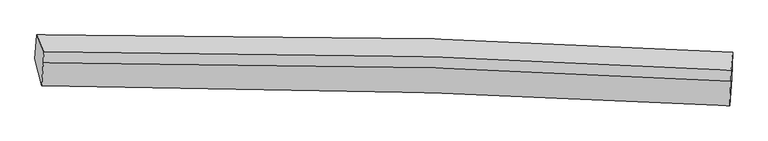
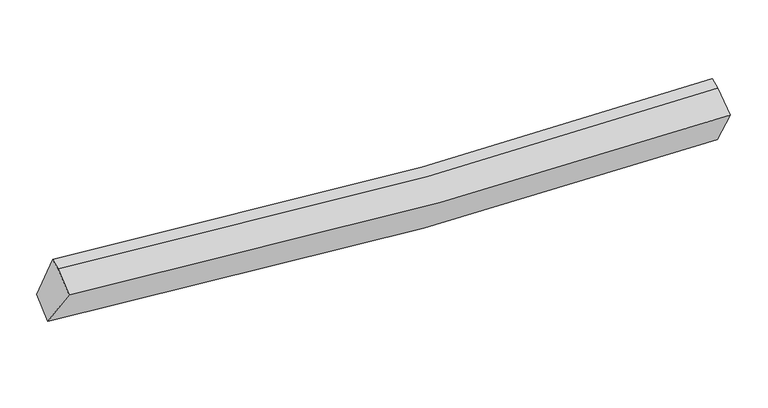
"""IFC4 building model written with IfcOpenShell, lengths in millimetres: proxy geometry."""

from ifc_helpers import new_model, si_unit, frame, origin, place, context, project, spatial, source, transform, mapped, element, save
from ifc_brep_helpers import plane_surface, spline_curve, spline_surface, advanced_brep


def generic_models_cff77f91(model_context):
    return source(origin(), model_context, "Body", "AdvancedBrep", [
        advanced_brep(
        [(-4363.2604256, -1945.1019782, 2895.8082872), (-4338.0880555, -1632.2468905, 3092.822396), (4782.9323747, -1857.7218061, 2681.1202075), (4769.2597765, -2206.3024687, 2523.6488672), (-4275.7468393, -2299.5732121, 3469.4732735), (4746.3866695, -2558.9096884, 3104.6350716), (-4251.9180903, -1996.9975304, 3656.4667201), (4758.400765, -2237.2857731, 3299.1431892), (-4246.1346557, -1853.8765821, 3707.2280456), (4764.1841996, -2094.1648248, 3349.9045147)],
        [
            (0, 1),
            (1, 2, spline_curve(3, [(-4338.0880555, -1632.2468905, 3092.822396), (-2620.53418801, -1617.069081415, 2866.209061814), (-901.521079879, -1634.53626579, 2723.878716994), (2139.418723306, -1723.109683554, 2621.279851897), (3460.745758346, -1780.800804266, 2626.376133627), (4782.9323747, -1857.7218061, 2681.1202075)], [4, 2, 4], [0.0, 16.982555441822583, 30.016715369173987])),
            (2, 3),
            (3, 0, spline_curve(3, [(4769.2597765, -2206.3024687, 2523.6488672), (3447.150421433, -2133.309386124, 2473.319158295), (2125.144315375, -2075.595143342, 2468.235053341), (-919.10111361, -1977.869518001, 2560.724042564), (-2641.268408964, -1948.516931211, 2689.861287395), (-4363.2604256, -1945.1019782, 2895.8082872)], [4, 2, 4], [0.0, 13.034159927351403, 30.016715369173987])),
            (4, 0),
            (3, 5),
            (5, 4, spline_curve(3, [(4746.3866695, -2558.9096884, 3104.6350716), (3437.057827198, -2486.562253026, 3054.669623628), (2129.22056601, -2429.330454505, 3049.331453756), (-879.197824216, -2332.340020646, 3139.811391768), (-2578.738399481, -2303.126326851, 3266.762295771), (-4275.7468393, -2299.5732121, 3469.4732735)], [4, 2, 4], [0.0, 12.960754734719131, 29.84766858854959])),
            (6, 4),
            (5, 7),
            (7, 6, spline_curve(3, [(4758.400765, -2237.2857731, 3299.1431892), (3450.281667419, -2159.95546078, 3241.64230201), (2143.871417298, -2101.101718621, 3231.568495656), (-860.760323898, -2008.116048295, 3317.590350715), (-2557.789692376, -1986.873710128, 3446.772000685), (-4251.9180903, -1996.9975304, 3656.4667201)], [4, 2, 4], [0.0, 12.874606482151261, 29.64927547450968])),
            (8, 6),
            (7, 9),
            (9, 8, spline_curve(3, [(4764.1841996, -2094.1648248, 3349.9045147), (3456.0651022, -2016.834512598, 3292.403627664), (2149.654852168, -1957.980770255, 3282.329821314), (-854.976889649, -1864.995100082, 3368.35167601), (-2552.006257568, -1843.752761337, 3497.533325774), (-4246.1346557, -1853.8765821, 3707.2280456)], [4, 2, 4], [0.0, 12.866778543174249, 29.63124830455704])),
            (1, 8),
            (9, 2),
        ],
        [
            spline_surface(3, 3, [[(-4363.2604256, -1945.1019782, 2895.8082872), (-2641.268408743, -1948.516931077, 2689.861287417), (-919.101113839, -1977.869518254, 2560.72404239), (2125.14431555, -2075.595143148, 2468.235053474), (3447.150421299, -2133.309386124, 2473.319158458), (4769.2597765, -2206.3024687, 2523.6488672)], [(-4354.869635558, -1840.81694898, 2961.479656819), (-2634.357001787, -1838.034314536, 2748.643878825), (-913.241102454, -1863.425100758, 2615.108933987), (2129.902451413, -1958.099989928, 2519.249986267), (3451.682200296, -2015.806525526, 2524.338150107), (4773.817309234, -2090.108914485, 2576.139313954)], [(-4346.478845542, -1736.53191972, 3027.151026381), (-2627.445594857, -1727.551697956, 2807.426470176), (-907.381091058, -1748.98068331, 2669.493825528), (2134.660587286, -1840.604836755, 2570.264919004), (3456.213979292, -1898.303664975, 2575.357141792), (4778.374841966, -1973.915360315, 2628.629760746)], [(-4338.0880555, -1632.2468905, 3092.822396), (-2620.534187901, -1617.069081414, 2866.209061585), (-901.521079673, -1634.536265814, 2723.878717125), (2139.418723148, -1723.109683535, 2621.279851796), (3460.745758289, -1780.800804377, 2626.376133441), (4782.9323747, -1857.7218061, 2681.1202075)]], [4, 4], [4, 2, 4], [0.0, 1.252748748239217], [0.0, 16.982555441822583, 30.016715369173987]),
            spline_surface(3, 3, [[(-4275.7468393, -2299.5732121, 3469.4732735), (-2578.738399726, -2303.126326942, 3266.762295529), (-879.197824397, -2332.340020682, 3139.811391746), (2129.220566149, -2429.330454478, 3049.331453773), (3437.057827042, -2486.562252872, 3054.669623604), (4746.3866695, -2558.9096884, 3104.6350716)], [(-4304.918034735, -2181.416134117, 3278.251611398), (-2599.581736067, -2184.923194971, 3074.46195949), (-892.498920884, -2214.183186555, 2946.782275297), (2127.861815943, -2311.41868405, 2855.632653676), (3440.422025127, -2368.811297298, 2860.886135249), (4754.011038499, -2441.373948508, 2910.973003494)], [(-4334.089230165, -2063.259056183, 3087.029949302), (-2620.425072402, -2066.720063048, 2882.161623457), (-905.800017352, -2096.026352381, 2753.753158839), (2126.503065756, -2193.506913575, 2661.933853571), (3443.786223214, -2251.060341698, 2667.102646813), (4761.635407501, -2323.838208592, 2717.310935306)], [(-4363.2604256, -1945.1019782, 2895.8082872), (-2641.268408743, -1948.516931077, 2689.861287417), (-919.101113839, -1977.869518254, 2560.72404239), (2125.14431555, -2075.595143148, 2468.235053474), (3447.150421299, -2133.309386124, 2473.319158458), (4769.2597765, -2206.3024687, 2523.6488672)]], [4, 4], [4, 2, 4], [0.0, 2.230773897951752], [0.0, 16.886913853830457, 29.84766858854959]),
            spline_surface(3, 3, [[(-4251.9180903, -1996.9975304, 3656.4667201), (-2557.789692415, -1986.873709889, 3446.772000421), (-860.760324012, -2008.11604846, 3317.590350495), (2143.871417386, -2101.101718494, 3231.568495825), (3450.28166739, -2159.955460864, 3241.642302108), (4758.400765, -2237.2857731, 3299.1431892)], [(-4259.861006638, -2097.856090975, 3594.135571225), (-2564.772594856, -2092.291248914, 3386.768765449), (-866.906157458, -2116.190705874, 3258.330697549), (2138.987800323, -2210.511297162, 3170.822815111), (3445.873720611, -2268.824391544, 3179.318075919), (4754.396066504, -2344.493744877, 3234.307149979)], [(-4267.803922962, -2198.714651525, 3531.804422375), (-2571.755497284, -2197.708787916, 3326.765530502), (-873.051990951, -2224.265363268, 3199.071044693), (2134.104183212, -2319.92087581, 3110.077134487), (3441.46577382, -2377.693322192, 3116.993849793), (4750.391367996, -2451.701716623, 3169.471110821)], [(-4275.7468393, -2299.5732121, 3469.4732735), (-2578.738399726, -2303.126326942, 3266.762295529), (-879.197824397, -2332.340020682, 3139.811391746), (2129.220566149, -2429.330454478, 3049.331453773), (3437.057827042, -2486.562252872, 3054.669623604), (4746.3866695, -2558.9096884, 3104.6350716)]], [4, 4], [4, 2, 4], [0.0, 1.2209037404442815], [0.0, 16.774668992358418, 29.64927547450968]),
            spline_surface(3, 3, [[(-4246.1346557, -1853.8765821, 3707.2280456), (-2552.006257815, -1843.752761589, 3497.533325921), (-854.976889412, -1864.99510016, 3368.351675995), (2149.654851986, -1957.980770194, 3282.329821325), (3456.06510199, -2016.834512564, 3292.403627608), (4764.1841996, -2094.1648248, 3349.9045147)], [(-4248.062467232, -1901.583564858, 3690.307603772), (-2553.934069347, -1891.459744347, 3480.612884094), (-856.904700944, -1912.702082918, 3351.431234168), (2147.727040454, -2005.687752952, 3265.409379498), (3454.137290458, -2064.541495321, 3275.48318578), (4762.256388068, -2141.871807558, 3332.984072872)], [(-4249.990278768, -1949.290547642, 3673.387161928), (-2555.861880883, -1939.166727131, 3463.692442249), (-858.832512481, -1960.409065703, 3334.510792323), (2145.799228918, -2053.394735737, 3248.488937653), (3452.209478921, -2112.248478106, 3258.562743935), (4760.328576532, -2189.578790342, 3316.063631028)], [(-4251.9180903, -1996.9975304, 3656.4667201), (-2557.789692415, -1986.873709889, 3446.772000421), (-860.760324012, -2008.11604846, 3317.590350495), (2143.871417386, -2101.101718494, 3231.568495825), (3450.28166739, -2159.955460864, 3241.642302108), (4758.400765, -2237.2857731, 3299.1431892)]], [4, 4], [4, 2, 4], [0.0, 0.49857720530298355], [0.0, 16.76446976138279, 29.63124830455704]),
            spline_surface(3, 3, [[(-4338.0880555, -1632.2468905, 3092.822396), (-2620.534187901, -1617.069081414, 2866.209061585), (-901.521079673, -1634.536265814, 2723.878717125), (2139.418723148, -1723.109683535, 2621.279851796), (3460.745758289, -1780.800804377, 2626.376133441), (4782.9323747, -1857.7218061, 2681.1202075)], [(-4307.436922237, -1706.123454371, 3297.624279186), (-2597.691544543, -1692.630308144, 3076.650483016), (-886.006349594, -1711.355877265, 2938.703036751), (2142.830766087, -1801.400045757, 2841.629841642), (3459.185539518, -1859.478707111, 2848.385298164), (4776.682982995, -1936.536145672, 2904.048309901)], [(-4276.785788963, -1780.000018229, 3502.426162414), (-2574.848901173, -1768.191534859, 3287.09190449), (-870.491619492, -1788.175488709, 3153.527356369), (2146.242809047, -1879.690407972, 3061.979831479), (3457.625320761, -1938.15660983, 3070.394462885), (4770.433591305, -2015.350485228, 3126.976412299)], [(-4246.1346557, -1853.8765821, 3707.2280456), (-2552.006257815, -1843.752761589, 3497.533325921), (-854.976889412, -1864.99510016, 3368.351675995), (2149.654851986, -1957.980770194, 3282.329821325), (3456.06510199, -2016.834512564, 3292.403627608), (4764.1841996, -2094.1648248, 3349.9045147)]], [4, 4], [4, 2, 4], [0.0, 2.2682915531003305], [0.0, 16.86960900754004, 29.817082223182716]),
            plane_surface(frame((4764.2327571, -2190.8769122, 2991.69037), z_axis=(0.9989262124277534, -0.044693769611237805, 0.012202011419468896), x_axis=(-0.03194744565650607, -0.8552506152597137, -0.5172289104583249))),
            plane_surface(frame((-4295.0296133, -1945.5592387, 3364.3597445), z_axis=(-0.9895033990382218, -0.011116704588865503, 0.1440813734349088), x_axis=(-0.06792770038065869, -0.844240194737436, -0.5316430391820172))),
        ],
        [
            (0, [[1, 2, 3, 4]]),
            (1, [[5, -4, 6, 7]]),
            (2, [[8, -7, 9, 10]]),
            (3, [[11, -10, 12, 13]]),
            (4, [[14, -13, 15, -2]]),
            (5, [[-9, -6, -3, -15, -12]]),
            (6, [[-1, -5, -8, -11, -14]]),
        ],
    ),
    ])


if __name__ == "__main__":
    model = new_model("IFC4")
    model_context = context("Model", 3, world=origin())
    ifc_project = project(units=[si_unit("LENGTHUNIT", "METRE", prefix="MILLI")], contexts=[model_context])
    site = spatial("IfcSite", under=ifc_project)
    building = spatial("IfcBuilding", under=site)
    placement = place(None, origin())
    generic_models_shape = generic_models_cff77f91(model_context)
    element("IfcBuildingElementProxy", 1, Name="Generic Models", at=placement, inside=building, context=model_context, shape_type="MappedRepresentation", body=[
        mapped(generic_models_shape, transform((0.0, 0.0, 0.0), x_axis=(1.0, 0.0, 0.0), y_axis=(0.0, 1.0, 0.0), z_axis=(0.0, 0.0, 1.0))),
    ])
    save(model, "model.ifc")
